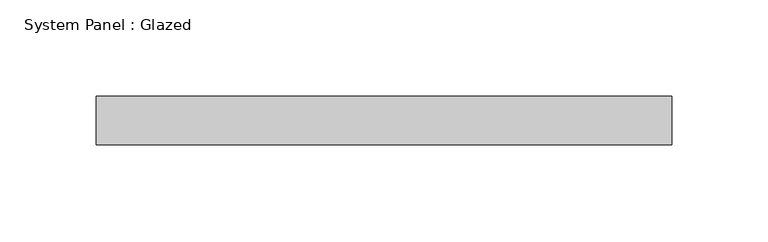
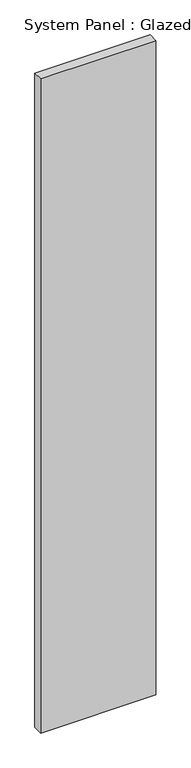
"""IFC4 building model written with IfcOpenShell, lengths in millimetres: plate geometry, System Panel : Glazed."""

import ifcopenshell
import ifcopenshell.guid

model = None  # the IFC model being written
_history = None  # IfcOwnerHistory: only IFC2X3 demands one
_inside = {}  # id of a spatial element -> (the spatial element, [elements in it])
_under = {}  # id of a project, library or spatial element -> (it, [spatial elements below it])
_declared = {}  # id of a project -> (the project, [libraries it declares])
_typed = {}  # id of a type object -> (the type object, [elements of that type])
_made_of = {}  # id of a material, layer set ... -> (it, [elements and type objects made of it])


def new_model(schema):
    """Start an empty IFC model of exactly this schema.

    Asked for "IFC4X3", IfcOpenShell would pick the latest addendum, in which some entities
    have other attributes; the version numbers below select the first issue.
    IFC2X3 requires an IfcOwnerHistory on every rooted entity: one is made here for all.
    """
    global model, _history
    if schema == "IFC4X3":
        model = ifcopenshell.file(schema_version=(4, 3, 0, 0))
    else:
        model = ifcopenshell.file(schema=schema)
    _inside.clear()
    _under.clear()
    _declared.clear()
    _typed.clear()
    _made_of.clear()
    _history = None
    if model.schema == "IFC2X3":
        org = make("IfcOrganization", Name="unknown")
        user = make(
            "IfcPersonAndOrganization",
            ThePerson=make("IfcPerson", FamilyName="unknown"),
            TheOrganization=org,
        )
        app = make(
            "IfcApplication",
            ApplicationDeveloper=org,
            Version="unknown",
            ApplicationFullName="unknown",
            ApplicationIdentifier="unknown",
        )
        _history = make(
            "IfcOwnerHistory",
            OwningUser=user,
            OwningApplication=app,
            ChangeAction="ADDED",
            CreationDate=0,
        )
    return model


def make(cls, **values):
    """One entity of the class cls with the attributes given. An attribute that is None is left unset."""
    return model.create_entity(
        cls, **{name: value for name, value in values.items() if value is not None}
    )


def rooted(cls, **values):
    """An entity with a GlobalId (a new one), such as an element, a storey or a relation."""
    return make(cls, GlobalId=ifcopenshell.guid.new(), OwnerHistory=_history, **values)


def si_unit(unit_type, name, prefix=None):
    """IfcSIUnit, for example si_unit("LENGTHUNIT", "METRE", prefix="MILLI")."""
    return make("IfcSIUnit", UnitType=unit_type, Prefix=prefix, Name=name)


def assignment(units):
    """IfcUnitAssignment: the units of a project."""
    return None if units is None else make("IfcUnitAssignment", Units=units)


def point(xyz):
    """IfcCartesianPoint."""
    return None if xyz is None else make("IfcCartesianPoint", Coordinates=xyz)


def direction(xyz):
    """IfcDirection."""
    return None if xyz is None else make("IfcDirection", DirectionRatios=xyz)


def frame(location, z_axis=None, x_axis=None):
    """IfcAxis2Placement3D, a coordinate frame: its origin and axes. An axis left out is left unset."""
    return make(
        "IfcAxis2Placement3D",
        Location=point(location),
        Axis=direction(z_axis),
        RefDirection=direction(x_axis),
    )


def origin():
    """The frame at (0, 0, 0) with its axes left unset."""
    return frame((0.0, 0.0, 0.0))


def origin_with_axes():
    """The frame at (0, 0, 0) with the z axis (0, 0, 1) and the x axis (1, 0, 0) written out."""
    return frame((0.0, 0.0, 0.0), z_axis=(0.0, 0.0, 1.0), x_axis=(1.0, 0.0, 0.0))


def place(relative_to, where):
    """IfcLocalPlacement: puts the frame where relative to a parent placement (None: the world)."""
    return make(
        "IfcLocalPlacement", PlacementRelTo=relative_to, RelativePlacement=where
    )


def context(
    kind, dimensions, precision=None, world=None, true_north=None, identifier=None
):
    """IfcGeometricRepresentationContext, for example the 3D "Model" context."""
    return make(
        "IfcGeometricRepresentationContext",
        ContextIdentifier=identifier,
        ContextType=kind,
        CoordinateSpaceDimension=dimensions,
        Precision=precision,
        WorldCoordinateSystem=world,
        TrueNorth=true_north,
    )


def project(units=None, contexts=None):
    """IfcProject with its units and contexts."""
    return rooted(
        "IfcProject",
        Name="project",
        RepresentationContexts=contexts,
        UnitsInContext=assignment(units),
    )


def spatial(cls, under=None, at=None, **own):
    """A site, building, storey or space (cls), placed at a placement, below another one or the project."""
    s = rooted(cls, ObjectPlacement=at, **own)
    if under is not None:
        _under.setdefault(under.id(), (under, []))[1].append(s)
    return s


def polyline(points):
    """IfcPolyline through the points."""
    return make("IfcPolyline", Points=[point(p) for p in points])


def outline(outer, holes=None, kind="AREA"):
    """IfcArbitraryClosedProfileDef: a profile drawn as a closed curve; with holes, ...WithVoids."""
    if holes is None:
        return make("IfcArbitraryClosedProfileDef", ProfileType=kind, OuterCurve=outer)
    return make(
        "IfcArbitraryProfileDefWithVoids",
        ProfileType=kind,
        OuterCurve=outer,
        InnerCurves=holes,
    )


def extrude(swept, where, along, depth):
    """IfcExtrudedAreaSolid: the profile swept, set in the frame where, extruded along a direction by depth."""
    return make(
        "IfcExtrudedAreaSolid",
        SweptArea=swept,
        Position=where,
        ExtrudedDirection=direction(along),
        Depth=depth,
    )


def shape(context_of_items, identifier, shape_type, items):
    """IfcShapeRepresentation: the items that make up one representation, for example the "Body"."""
    return make(
        "IfcShapeRepresentation",
        ContextOfItems=context_of_items,
        RepresentationIdentifier=identifier,
        RepresentationType=shape_type,
        Items=items,
    )


def source(mapping_origin, context_of_items, identifier, shape_type, items):
    """IfcRepresentationMap: a shape defined once, which mapped items show again and again."""
    return make(
        "IfcRepresentationMap",
        MappingOrigin=mapping_origin,
        MappedRepresentation=shape(context_of_items, identifier, shape_type, items),
    )


def transform(
    local_origin,
    x_axis=None,
    y_axis=None,
    z_axis=None,
    scale=None,
    scale2=None,
    scale3=None,
    uniform=True,
):
    """IfcCartesianTransformationOperator3D, or its non-uniform kind. x_axis, y_axis, z_axis: its Axis1, 2, 3."""
    if uniform:
        return make(
            "IfcCartesianTransformationOperator3D",
            Axis1=direction(x_axis),
            Axis2=direction(y_axis),
            LocalOrigin=point(local_origin),
            Scale=scale,
            Axis3=direction(z_axis),
        )
    return make(
        "IfcCartesianTransformationOperator3DnonUniform",
        Axis1=direction(x_axis),
        Axis2=direction(y_axis),
        LocalOrigin=point(local_origin),
        Scale=scale,
        Axis3=direction(z_axis),
        Scale2=scale2,
        Scale3=scale3,
    )


def mapped(mapping_source, mapping_target):
    """IfcMappedItem: shows the shape of a source again, moved by a transform."""
    return make(
        "IfcMappedItem", MappingSource=mapping_source, MappingTarget=mapping_target
    )


def made_of(thing, what):
    """Note that an element or type object is made of a material, layer set ...; save() writes the relation."""
    if what is not None:
        _made_of.setdefault(what.id(), (what, []))[1].append(thing)
    return thing


def element(
    cls,
    number,
    at=None,
    inside=None,
    cuts=None,
    type_object=None,
    material=None,
    context=None,
    identifier="Body",
    shape_type=None,
    held_by="IfcProductDefinitionShape",
    body=None,
    shapes=None,
    **own,
):
    """One element of the class cls, such as IfcWall. Its Tag is "e" and its number.

    at: its placement. inside: the storey or other place that contains it. cuts: it is an
    opening in that element (IfcRelVoidsElement). A single representation is given by context,
    identifier, shape_type and body (its items); several are given by shapes. held_by: the class
    of the entity that holds the representations. save() writes the other relations.
    """
    e = rooted(cls, Tag="e%d" % number, ObjectPlacement=at, **own)
    if body is not None:
        shapes = [shape(context, identifier, shape_type, body)]
    if shapes is not None:
        e.Representation = make(held_by, Representations=shapes)
    if inside is not None:
        _inside.setdefault(inside.id(), (inside, []))[1].append(e)
    if cuts is not None:
        rooted(
            "IfcRelVoidsElement", RelatingBuildingElement=cuts, RelatedOpeningElement=e
        )
    if type_object is not None:
        _typed.setdefault(type_object.id(), (type_object, []))[1].append(e)
    return made_of(e, material)


def aggregate(whole, parts):
    """IfcRelAggregates: a whole, such as a stair, and the parts it consists of."""
    return rooted("IfcRelAggregates", RelatingObject=whole, RelatedObjects=parts)


def save(model, path):
    """Write the relations noted so far, then the file.

    IfcRelAggregates (storeys below a building ...), IfcRelContainedInSpatialStructure (elements
    in a storey), IfcRelDefinesByType, IfcRelAssociatesMaterial and IfcRelDeclares: one each for
    every whole, place, type object, material and project.
    """
    for whole, parts in _under.values():
        aggregate(whole, parts)
    for where, things in _inside.values():
        rooted(
            "IfcRelContainedInSpatialStructure",
            RelatedElements=things,
            RelatingStructure=where,
        )
    for kind, things in _typed.values():
        rooted("IfcRelDefinesByType", RelatedObjects=things, RelatingType=kind)
    for what, things in _made_of.values():
        rooted("IfcRelAssociatesMaterial", RelatedObjects=things, RelatingMaterial=what)
    for by, libraries in _declared.values():
        rooted("IfcRelDeclares", RelatingContext=by, RelatedDefinitions=libraries)
    model.write(path)


def system_panel_glazed_179e788e(model_context):
    return source(origin(), model_context, "Body", "SweptSolid", [
        extrude(outline(polyline([(149.7067547, 19.05), (-149.7067547, 19.05), (-149.7067547, 44.45), (149.7067547, 44.45), (149.7067547, 19.05)])), origin_with_axes(), (0.0, 0.0, 1.0), 1797.05),
    ])


if __name__ == "__main__":
    model = new_model("IFC4")
    model_context = context("Model", 3, world=origin())
    ifc_project = project(units=[si_unit("LENGTHUNIT", "METRE", prefix="MILLI")], contexts=[model_context])
    site = spatial("IfcSite", under=ifc_project)
    building = spatial("IfcBuilding", under=site)
    placement = place(None, origin())
    system_panel_glazed_shape = system_panel_glazed_179e788e(model_context)
    element("IfcPlate", 1, ObjectType="System Panel : Glazed", at=placement, inside=building, context=model_context, shape_type="MappedRepresentation", body=[
        mapped(system_panel_glazed_shape, transform((0.0, 0.0, 0.0), x_axis=(1.0, 0.0, 0.0), y_axis=(0.0, 1.0, 0.0), z_axis=(0.0, 0.0, 1.0))),
    ])
    save(model, "model.ifc")
